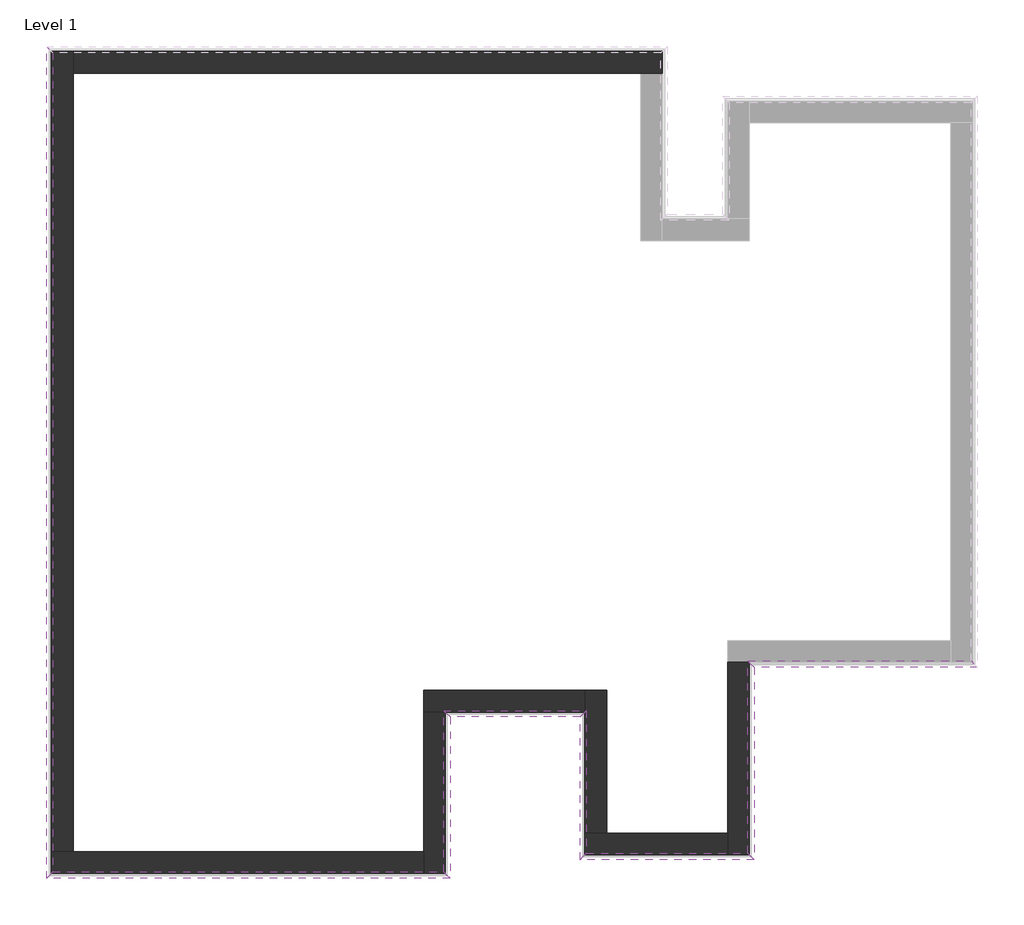
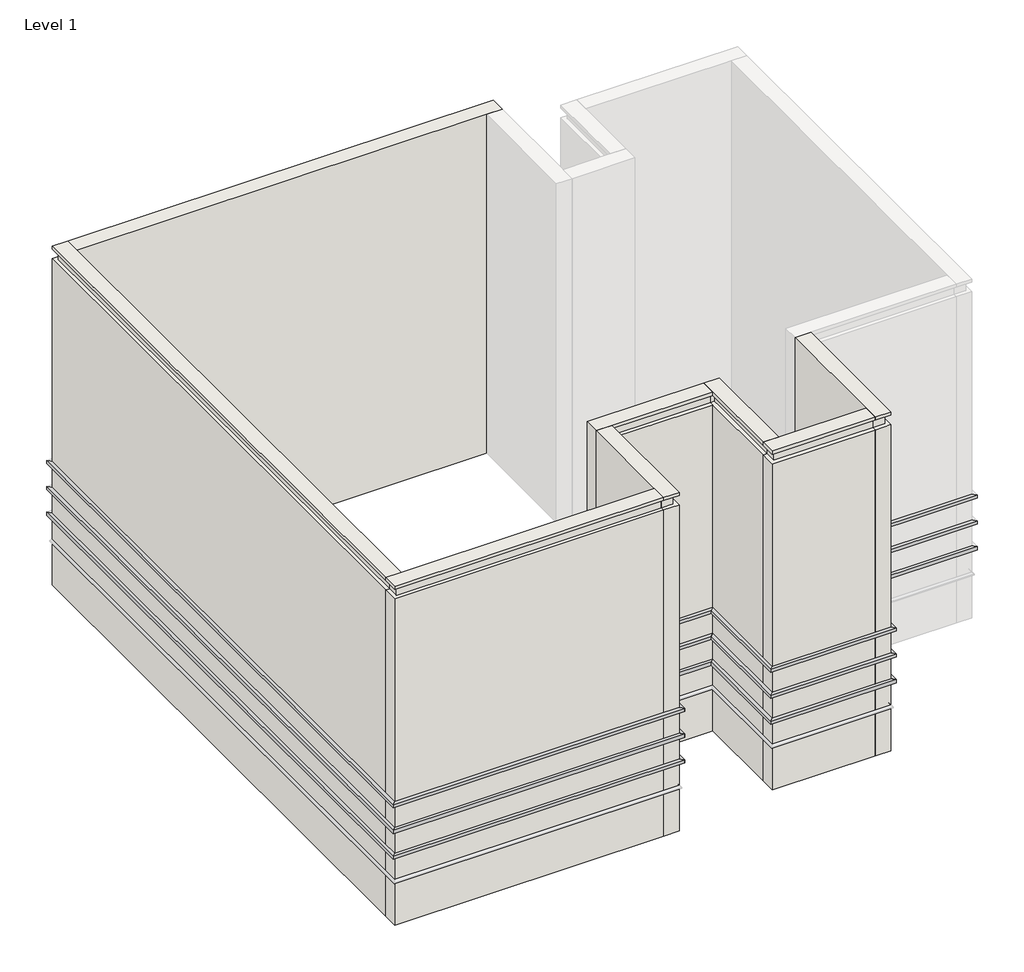
# One storey, part 1 of 2: 24 proxies, 8 walls.
"""IFC4 building model written with IfcOpenShell, lengths in millimetres."""

from ifc_helpers import new_model, si_unit, frame, origin, place, context, project, spatial, polyline, outline, extrude, faceted_brep, element, save

model = new_model("IFC4")

# Units and contexts
model_context = context("Model", 3, world=origin())
ifc_project = project(units=[si_unit("LENGTHUNIT", "METRE", prefix="MILLI")], contexts=[model_context])

# Site, building, storey
site = spatial("IfcSite", under=ifc_project)
building = spatial("IfcBuilding", under=site)
storey = spatial("IfcBuildingStorey", under=building, Name="Level 1", Elevation=0.0)

# Proxies
placement = place(None, origin())
element("IfcBuildingElementProxy", 1, Name="Reveals", at=placement, inside=storey, context=model_context, shape_type="SweptSolid", body=[
    extrude(outline(polyline([(6759.4354635, -122.5225491), (6861.9354635, -225.0225491), (3261.9354635, -225.0225491), (3159.4354635, -122.5225491), (6759.4354635, -122.5225491)])), frame((0.0, 0.0, 1625.0), z_axis=(0.0, 0.0, 1.0), x_axis=(1.0, 0.0, 0.0)), (0.0, 0.0, 1.0), 75.0),
])
element("IfcBuildingElementProxy", 2, Name="Reveals", at=placement, inside=storey, context=model_context, shape_type="SweptSolid", body=[
    extrude(outline(polyline([(6759.4354635, -122.5225491), (6861.9354635, -225.0225491), (3261.9354635, -225.0225491), (3159.4354635, -122.5225491), (6759.4354635, -122.5225491)])), frame((0.0, 0.0, 2235.0), z_axis=(0.0, 0.0, 1.0), x_axis=(1.0, 0.0, 0.0)), (0.0, 0.0, 1.0), 75.0),
])
element("IfcBuildingElementProxy", 3, Name="Reveals", at=placement, inside=storey, context=model_context, shape_type="SweptSolid", body=[
    extrude(outline(polyline([(6759.4354635, -122.5225491), (6861.9354635, -225.0225491), (3261.9354635, -225.0225491), (3159.4354635, -122.5225491), (6759.4354635, -122.5225491)])), frame((0.0, 0.0, 2845.0), z_axis=(0.0, 0.0, 1.0), x_axis=(1.0, 0.0, 0.0)), (0.0, 0.0, 1.0), 75.0),
])
element("IfcBuildingElementProxy", 4, Name="Reveals", at=placement, inside=storey, context=model_context, shape_type="SweptSolid", body=[
    extrude(outline(polyline([(3159.4354635, -122.5225491), (3261.9354635, -225.0225491), (3261.9354635, -3325.0225491), (3159.4354635, -3222.5225491), (3159.4354635, -122.5225491)])), frame((0.0, 0.0, 1625.0), z_axis=(0.0, 0.0, 1.0), x_axis=(1.0, 0.0, 0.0)), (0.0, 0.0, 1.0), 75.0),
])
element("IfcBuildingElementProxy", 5, Name="Reveals", at=placement, inside=storey, context=model_context, shape_type="SweptSolid", body=[
    extrude(outline(polyline([(3159.4354635, -122.5225491), (3261.9354635, -225.0225491), (3261.9354635, -3325.0225491), (3159.4354635, -3222.5225491), (3159.4354635, -122.5225491)])), frame((0.0, 0.0, 2235.0), z_axis=(0.0, 0.0, 1.0), x_axis=(1.0, 0.0, 0.0)), (0.0, 0.0, 1.0), 75.0),
])
element("IfcBuildingElementProxy", 6, Name="Reveals", at=placement, inside=storey, context=model_context, shape_type="SweptSolid", body=[
    extrude(outline(polyline([(3159.4354635, -122.5225491), (3261.9354635, -225.0225491), (3261.9354635, -3325.0225491), (3159.4354635, -3222.5225491), (3159.4354635, -122.5225491)])), frame((0.0, 0.0, 2845.0), z_axis=(0.0, 0.0, 1.0), x_axis=(1.0, 0.0, 0.0)), (0.0, 0.0, 1.0), 75.0),
])
element("IfcBuildingElementProxy", 7, Name="Reveals", at=placement, inside=storey, context=model_context, shape_type="SweptSolid", body=[
    extrude(outline(polyline([(3159.4354635, -3222.5225491), (3261.9354635, -3325.0225491), (456.9354635, -3325.0225491), (559.4354635, -3222.5225491), (3159.4354635, -3222.5225491)])), frame((0.0, 0.0, 1625.0), z_axis=(0.0, 0.0, 1.0), x_axis=(1.0, 0.0, 0.0)), (0.0, 0.0, 1.0), 75.0),
])
element("IfcBuildingElementProxy", 8, Name="Reveals", at=placement, inside=storey, context=model_context, shape_type="SweptSolid", body=[
    extrude(outline(polyline([(3159.4354635, -3222.5225491), (3261.9354635, -3325.0225491), (456.9354635, -3325.0225491), (559.4354635, -3222.5225491), (3159.4354635, -3222.5225491)])), frame((0.0, 0.0, 2235.0), z_axis=(0.0, 0.0, 1.0), x_axis=(1.0, 0.0, 0.0)), (0.0, 0.0, 1.0), 75.0),
])
element("IfcBuildingElementProxy", 9, Name="Reveals", at=placement, inside=storey, context=model_context, shape_type="SweptSolid", body=[
    extrude(outline(polyline([(3159.4354635, -3222.5225491), (3261.9354635, -3325.0225491), (456.9354635, -3325.0225491), (559.4354635, -3222.5225491), (3159.4354635, -3222.5225491)])), frame((0.0, 0.0, 2845.0), z_axis=(0.0, 0.0, 1.0), x_axis=(1.0, 0.0, 0.0)), (0.0, 0.0, 1.0), 75.0),
])
element("IfcBuildingElementProxy", 10, Name="Reveals", at=placement, inside=storey, context=model_context, shape_type="SweptSolid", body=[
    extrude(outline(polyline([(559.4354635, -3222.5225491), (456.9354635, -3325.0225491), (456.9354635, -1025.0225491), (559.4354635, -922.5225491), (559.4354635, -3222.5225491)])), frame((0.0, 0.0, 1625.0), z_axis=(0.0, 0.0, 1.0), x_axis=(1.0, 0.0, 0.0)), (0.0, 0.0, 1.0), 75.0),
])
element("IfcBuildingElementProxy", 11, Name="Reveals", at=placement, inside=storey, context=model_context, shape_type="SweptSolid", body=[
    extrude(outline(polyline([(559.4354635, -3222.5225491), (456.9354635, -3325.0225491), (456.9354635, -1025.0225491), (559.4354635, -922.5225491), (559.4354635, -3222.5225491)])), frame((0.0, 0.0, 2235.0), z_axis=(0.0, 0.0, 1.0), x_axis=(1.0, 0.0, 0.0)), (0.0, 0.0, 1.0), 75.0),
])
element("IfcBuildingElementProxy", 12, Name="Reveals", at=placement, inside=storey, context=model_context, shape_type="SweptSolid", body=[
    extrude(outline(polyline([(559.4354635, -3222.5225491), (456.9354635, -3325.0225491), (456.9354635, -1025.0225491), (559.4354635, -922.5225491), (559.4354635, -3222.5225491)])), frame((0.0, 0.0, 2845.0), z_axis=(0.0, 0.0, 1.0), x_axis=(1.0, 0.0, 0.0)), (0.0, 0.0, 1.0), 75.0),
])
element("IfcBuildingElementProxy", 13, Name="Reveals", at=placement, inside=storey, context=model_context, shape_type="SweptSolid", body=[
    extrude(outline(polyline([(559.4354635, -922.5225491), (456.9354635, -1025.0225491), (-1638.0645365, -1025.0225491), (-1740.5645365, -922.5225491), (559.4354635, -922.5225491)])), frame((0.0, 0.0, 1625.0), z_axis=(0.0, 0.0, 1.0), x_axis=(1.0, 0.0, 0.0)), (0.0, 0.0, 1.0), 75.0),
])
element("IfcBuildingElementProxy", 14, Name="Reveals", at=placement, inside=storey, context=model_context, shape_type="SweptSolid", body=[
    extrude(outline(polyline([(559.4354635, -922.5225491), (456.9354635, -1025.0225491), (-1638.0645365, -1025.0225491), (-1740.5645365, -922.5225491), (559.4354635, -922.5225491)])), frame((0.0, 0.0, 2235.0), z_axis=(0.0, 0.0, 1.0), x_axis=(1.0, 0.0, 0.0)), (0.0, 0.0, 1.0), 75.0),
])
element("IfcBuildingElementProxy", 15, Name="Reveals", at=placement, inside=storey, context=model_context, shape_type="SweptSolid", body=[
    extrude(outline(polyline([(559.4354635, -922.5225491), (456.9354635, -1025.0225491), (-1638.0645365, -1025.0225491), (-1740.5645365, -922.5225491), (559.4354635, -922.5225491)])), frame((0.0, 0.0, 2845.0), z_axis=(0.0, 0.0, 1.0), x_axis=(1.0, 0.0, 0.0)), (0.0, 0.0, 1.0), 75.0),
])
element("IfcBuildingElementProxy", 16, Name="Reveals", at=placement, inside=storey, context=model_context, shape_type="SweptSolid", body=[
    extrude(outline(polyline([(-1740.5645365, -922.5225491), (-1638.0645365, -1025.0225491), (-1638.0645365, -3625.0225491), (-1740.5645365, -3522.5225491), (-1740.5645365, -922.5225491)])), frame((0.0, 0.0, 1625.0), z_axis=(0.0, 0.0, 1.0), x_axis=(1.0, 0.0, 0.0)), (0.0, 0.0, 1.0), 75.0),
])
element("IfcBuildingElementProxy", 17, Name="Reveals", at=placement, inside=storey, context=model_context, shape_type="SweptSolid", body=[
    extrude(outline(polyline([(-1740.5645365, -922.5225491), (-1638.0645365, -1025.0225491), (-1638.0645365, -3625.0225491), (-1740.5645365, -3522.5225491), (-1740.5645365, -922.5225491)])), frame((0.0, 0.0, 2235.0), z_axis=(0.0, 0.0, 1.0), x_axis=(1.0, 0.0, 0.0)), (0.0, 0.0, 1.0), 75.0),
])
element("IfcBuildingElementProxy", 18, Name="Reveals", at=placement, inside=storey, context=model_context, shape_type="SweptSolid", body=[
    extrude(outline(polyline([(-1740.5645365, -922.5225491), (-1638.0645365, -1025.0225491), (-1638.0645365, -3625.0225491), (-1740.5645365, -3522.5225491), (-1740.5645365, -922.5225491)])), frame((0.0, 0.0, 2845.0), z_axis=(0.0, 0.0, 1.0), x_axis=(1.0, 0.0, 0.0)), (0.0, 0.0, 1.0), 75.0),
])
element("IfcBuildingElementProxy", 19, Name="Reveals", at=placement, inside=storey, context=model_context, shape_type="SweptSolid", body=[
    extrude(outline(polyline([(-1740.5645365, -3522.5225491), (-1638.0645365, -3625.0225491), (-8143.0645365, -3625.0225491), (-8040.5645365, -3522.5225491), (-1740.5645365, -3522.5225491)])), frame((0.0, 0.0, 1625.0), z_axis=(0.0, 0.0, 1.0), x_axis=(1.0, 0.0, 0.0)), (0.0, 0.0, 1.0), 75.0),
])
element("IfcBuildingElementProxy", 20, Name="Reveals", at=placement, inside=storey, context=model_context, shape_type="SweptSolid", body=[
    extrude(outline(polyline([(-1740.5645365, -3522.5225491), (-1638.0645365, -3625.0225491), (-8143.0645365, -3625.0225491), (-8040.5645365, -3522.5225491), (-1740.5645365, -3522.5225491)])), frame((0.0, 0.0, 2235.0), z_axis=(0.0, 0.0, 1.0), x_axis=(1.0, 0.0, 0.0)), (0.0, 0.0, 1.0), 75.0),
])
element("IfcBuildingElementProxy", 21, Name="Reveals", at=placement, inside=storey, context=model_context, shape_type="SweptSolid", body=[
    extrude(outline(polyline([(-1740.5645365, -3522.5225491), (-1638.0645365, -3625.0225491), (-8143.0645365, -3625.0225491), (-8040.5645365, -3522.5225491), (-1740.5645365, -3522.5225491)])), frame((0.0, 0.0, 2845.0), z_axis=(0.0, 0.0, 1.0), x_axis=(1.0, 0.0, 0.0)), (0.0, 0.0, 1.0), 75.0),
])
element("IfcBuildingElementProxy", 22, Name="Reveals", at=placement, inside=storey, context=model_context, shape_type="SweptSolid", body=[
    extrude(outline(polyline([(-8040.5645365, -3522.5225491), (-8143.0645365, -3625.0225491), (-8143.0645365, 9779.9774509), (-8040.5645365, 9677.4774509), (-8040.5645365, -3522.5225491)])), frame((0.0, 0.0, 1625.0), z_axis=(0.0, 0.0, 1.0), x_axis=(1.0, 0.0, 0.0)), (0.0, 0.0, 1.0), 75.0),
])
element("IfcBuildingElementProxy", 23, Name="Reveals", at=placement, inside=storey, context=model_context, shape_type="SweptSolid", body=[
    extrude(outline(polyline([(-8040.5645365, -3522.5225491), (-8143.0645365, -3625.0225491), (-8143.0645365, 9779.9774509), (-8040.5645365, 9677.4774509), (-8040.5645365, -3522.5225491)])), frame((0.0, 0.0, 2235.0), z_axis=(0.0, 0.0, 1.0), x_axis=(1.0, 0.0, 0.0)), (0.0, 0.0, 1.0), 75.0),
])
element("IfcBuildingElementProxy", 24, Name="Reveals", at=placement, inside=storey, context=model_context, shape_type="SweptSolid", body=[
    extrude(outline(polyline([(-8040.5645365, -3522.5225491), (-8143.0645365, -3625.0225491), (-8143.0645365, 9779.9774509), (-8040.5645365, 9677.4774509), (-8040.5645365, -3522.5225491)])), frame((0.0, 0.0, 2845.0), z_axis=(0.0, 0.0, 1.0), x_axis=(1.0, 0.0, 0.0)), (0.0, 0.0, 1.0), 75.0),
])

# Walls
element("IfcWall", 25, ObjectType="Exterior - Brick and Block on Mtl. Stud", at=placement, inside=storey, context=model_context, shape_type="Brep", body=[
    faceted_brep([(-7715.5645365, 9352.4774509, 0.0), (1434.4354635, 9352.4774509, 0.0), (1784.4354635, 9352.4774509, 0.0), (1784.4354635, 9352.4774509, 1015.0), (1694.4354635, 9352.4774509, 1015.0), (1694.4354635, 9352.4774509, 1085.0), (1784.4354635, 9352.4774509, 1085.0), (1784.4354635, 9352.4774509, 1625.0), (1759.4354635, 9352.4774509, 1625.0), (1759.4354635, 9352.4774509, 1700.0), (1784.4354635, 9352.4774509, 1700.0), (1784.4354635, 9352.4774509, 2235.0), (1759.4354635, 9352.4774509, 2235.0), (1759.4354635, 9352.4774509, 2310.0), (1784.4354635, 9352.4774509, 2310.0), (1784.4354635, 9352.4774509, 2845.0), (1759.4354635, 9352.4774509, 2845.0), (1759.4354635, 9352.4774509, 2920.0), (1784.4354635, 9352.4774509, 2920.0), (1784.4354635, 9352.4774509, 7700.0), (1694.4354635, 9352.4774509, 7700.0), (1694.4354635, 9352.4774509, 7925.0), (1784.4354635, 9352.4774509, 7925.0), (1784.4354635, 9352.4774509, 8000.0), (1434.4354635, 9352.4774509, 8000.0), (-7715.5645365, 9352.4774509, 8000.0), (1784.4354635, 9702.4774509, 0.0), (-7715.5645365, 9702.4774509, 0.0), (-7715.5645365, 9702.4774509, 1015.0), (1784.4354635, 9702.4774509, 1015.0), (-7715.5645365, 9702.4774509, 8000.0), (1784.4354635, 9702.4774509, 8000.0), (1784.4354635, 9702.4774509, 7925.0), (-7715.5645365, 9702.4774509, 7925.0), (1784.4354635, 9702.4774509, 2235.0), (1784.4354635, 9702.4774509, 1700.0), (-7715.5645365, 9702.4774509, 1700.0), (-7715.5645365, 9702.4774509, 2235.0), (1784.4354635, 9702.4774509, 2845.0), (1784.4354635, 9702.4774509, 2310.0), (-7715.5645365, 9702.4774509, 2310.0), (-7715.5645365, 9702.4774509, 2845.0), (1784.4354635, 9702.4774509, 1625.0), (1784.4354635, 9702.4774509, 1085.0), (-7715.5645365, 9702.4774509, 1085.0), (-7715.5645365, 9702.4774509, 1625.0), (1784.4354635, 9702.4774509, 2920.0), (-7715.5645365, 9702.4774509, 2920.0), (-7715.5645365, 9702.4774509, 7700.0), (1784.4354635, 9702.4774509, 7700.0), (1759.4354635, 9677.4774509, 1700.0), (1759.4354635, 9677.4774509, 1625.0), (-7715.5645365, 9677.4774509, 1625.0), (-7715.5645365, 9677.4774509, 1700.0), (1759.4354635, 9677.4774509, 2310.0), (1759.4354635, 9677.4774509, 2235.0), (-7715.5645365, 9677.4774509, 2235.0), (-7715.5645365, 9677.4774509, 2310.0), (1759.4354635, 9677.4774509, 2920.0), (1759.4354635, 9677.4774509, 2845.0), (-7715.5645365, 9677.4774509, 2845.0), (-7715.5645365, 9677.4774509, 2920.0), (1694.4354635, 9612.4774509, 1085.0), (1694.4354635, 9612.4774509, 1015.0), (-7715.5645365, 9612.4774509, 1015.0), (-7715.5645365, 9612.4774509, 1085.0), (1694.4354635, 9612.4774509, 7925.0), (1694.4354635, 9612.4774509, 7700.0), (-7715.5645365, 9612.4774509, 7700.0), (-7715.5645365, 9612.4774509, 7925.0)], [[[0, 1, 2, 3, 4, 5, 6, 7, 8, 9, 10, 11, 12, 13, 14, 15, 16, 17, 18, 19, 20, 21, 22, 23, 24, 25]], [[26, 27, 28, 29]], [[30, 31, 32, 33]], [[34, 35, 36, 37]], [[38, 39, 40, 41]], [[42, 43, 44, 45]], [[46, 47, 48, 49]], [[2, 1, 0, 27, 26]], [[25, 24, 23, 31, 30]], [[50, 51, 52, 53]], [[54, 55, 56, 57]], [[58, 59, 60, 61]], [[62, 63, 64, 65]], [[66, 67, 68, 69]], [[2, 26, 29, 3]], [[31, 23, 22, 32]], [[11, 10, 35, 34]], [[7, 6, 43, 42]], [[15, 14, 39, 38]], [[18, 46, 49, 19]], [[51, 50, 9, 8]], [[55, 54, 13, 12]], [[59, 58, 17, 16]], [[63, 62, 5, 4]], [[67, 66, 21, 20]], [[0, 25, 30, 33, 69, 68, 48, 47, 61, 60, 41, 40, 57, 56, 37, 36, 53, 52, 45, 44, 65, 64, 28, 27]], [[9, 50, 53, 36, 35, 10]], [[51, 8, 7, 42, 45, 52]], [[13, 54, 57, 40, 39, 14]], [[55, 12, 11, 34, 37, 56]], [[17, 58, 61, 47, 46, 18]], [[59, 16, 15, 38, 41, 60]], [[5, 62, 65, 44, 43, 6]], [[63, 4, 3, 29, 28, 64]], [[68, 67, 20, 19, 49, 48]], [[21, 66, 69, 33, 32, 22]]]),
])
element("IfcWall", 26, ObjectType="Exterior - Brick and Block on Mtl. Stud", at=placement, inside=storey, context=model_context, shape_type="Brep", body=[
    faceted_brep([(2834.4354635, -147.5225491, 0.0), (2834.4354635, -2897.5225491, 0.0), (2834.4354635, -3247.5225491, 0.0), (2834.4354635, -3247.5225491, 1015.0), (2834.4354635, -3157.5225491, 1015.0), (2834.4354635, -3157.5225491, 1085.0), (2834.4354635, -3247.5225491, 1085.0), (2834.4354635, -3247.5225491, 1625.0), (2834.4354635, -3222.5225491, 1625.0), (2834.4354635, -3222.5225491, 1700.0), (2834.4354635, -3247.5225491, 1700.0), (2834.4354635, -3247.5225491, 2235.0), (2834.4354635, -3222.5225491, 2235.0), (2834.4354635, -3222.5225491, 2310.0), (2834.4354635, -3247.5225491, 2310.0), (2834.4354635, -3247.5225491, 2845.0), (2834.4354635, -3222.5225491, 2845.0), (2834.4354635, -3222.5225491, 2920.0), (2834.4354635, -3247.5225491, 2920.0), (2834.4354635, -3247.5225491, 7700.0), (2834.4354635, -3157.5225491, 7700.0), (2834.4354635, -3157.5225491, 7925.0), (2834.4354635, -3247.5225491, 7925.0), (2834.4354635, -3247.5225491, 8000.0), (2834.4354635, -2897.5225491, 8000.0), (2834.4354635, -147.5225491, 8000.0), (3184.4354635, -3247.5225491, 0.0), (3184.4354635, -147.5225491, 0.0), (3184.4354635, -147.5225491, 1015.0), (3184.4354635, -3247.5225491, 1015.0), (3184.4354635, -147.5225491, 8000.0), (3184.4354635, -3247.5225491, 8000.0), (3184.4354635, -3247.5225491, 7925.0), (3184.4354635, -147.5225491, 7925.0), (3184.4354635, -3247.5225491, 1700.0), (3184.4354635, -147.5225491, 1700.0), (3184.4354635, -147.5225491, 2235.0), (3184.4354635, -3247.5225491, 2235.0), (3184.4354635, -147.5225491, 1625.0), (3184.4354635, -3247.5225491, 1625.0), (3184.4354635, -3247.5225491, 1085.0), (3184.4354635, -147.5225491, 1085.0), (3184.4354635, -3247.5225491, 2310.0), (3184.4354635, -147.5225491, 2310.0), (3184.4354635, -147.5225491, 2845.0), (3184.4354635, -3247.5225491, 2845.0), (3184.4354635, -3247.5225491, 2920.0), (3184.4354635, -147.5225491, 2920.0), (3184.4354635, -147.5225491, 7700.0), (3184.4354635, -3247.5225491, 7700.0), (3159.4354635, -3222.5225491, 1625.0), (3159.4354635, -147.5225491, 1625.0), (3159.4354635, -147.5225491, 1700.0), (3159.4354635, -3222.5225491, 1700.0), (3159.4354635, -3222.5225491, 2235.0), (3159.4354635, -147.5225491, 2235.0), (3159.4354635, -147.5225491, 2310.0), (3159.4354635, -3222.5225491, 2310.0), (3159.4354635, -3222.5225491, 2845.0), (3159.4354635, -147.5225491, 2845.0), (3159.4354635, -147.5225491, 2920.0), (3159.4354635, -3222.5225491, 2920.0), (3094.4354635, -3157.5225491, 1015.0), (3094.4354635, -147.5225491, 1015.0), (3094.4354635, -147.5225491, 1085.0), (3094.4354635, -3157.5225491, 1085.0), (3094.4354635, -3157.5225491, 7925.0), (3094.4354635, -3157.5225491, 7700.0), (3094.4354635, -147.5225491, 7700.0), (3094.4354635, -147.5225491, 7925.0)], [[[0, 1, 2, 3, 4, 5, 6, 7, 8, 9, 10, 11, 12, 13, 14, 15, 16, 17, 18, 19, 20, 21, 22, 23, 24, 25]], [[26, 27, 28, 29]], [[30, 31, 32, 33]], [[34, 35, 36, 37]], [[38, 39, 40, 41]], [[42, 43, 44, 45]], [[46, 47, 48, 49]], [[2, 1, 0, 27, 26]], [[25, 24, 23, 31, 30]], [[50, 51, 52, 53]], [[54, 55, 56, 57]], [[58, 59, 60, 61]], [[62, 63, 64, 65]], [[66, 67, 68, 69]], [[0, 25, 30, 33, 69, 68, 48, 47, 60, 59, 44, 43, 56, 55, 36, 35, 52, 51, 38, 41, 64, 63, 28, 27]], [[53, 52, 35, 34, 10, 9]], [[51, 50, 8, 7, 39, 38]], [[57, 56, 43, 42, 14, 13]], [[55, 54, 12, 11, 37, 36]], [[61, 60, 47, 46, 18, 17]], [[59, 58, 16, 15, 45, 44]], [[65, 64, 41, 40, 6, 5]], [[63, 62, 4, 3, 29, 28]], [[68, 67, 20, 19, 49, 48]], [[21, 66, 69, 33, 32, 22]], [[2, 26, 29, 3]], [[31, 23, 22, 32]], [[10, 34, 37, 11]], [[39, 7, 6, 40]], [[14, 42, 45, 15]], [[18, 46, 49, 19]], [[50, 53, 9, 8]], [[54, 57, 13, 12]], [[58, 61, 17, 16]], [[62, 65, 5, 4]], [[67, 66, 21, 20]]]),
])
element("IfcWall", 27, ObjectType="Exterior - Brick and Block on Mtl. Stud", at=placement, inside=storey, context=model_context, shape_type="Brep", body=[
    faceted_brep([(2834.4354635, -2897.5225491, 0.0), (884.4354635, -2897.5225491, 0.0), (534.4354635, -2897.5225491, 0.0), (534.4354635, -2897.5225491, 1015.0), (624.4354635, -2897.5225491, 1015.0), (624.4354635, -2897.5225491, 1085.0), (534.4354635, -2897.5225491, 1085.0), (534.4354635, -2897.5225491, 1625.0), (559.4354635, -2897.5225491, 1625.0), (559.4354635, -2897.5225491, 1700.0), (534.4354635, -2897.5225491, 1700.0), (534.4354635, -2897.5225491, 2235.0), (559.4354635, -2897.5225491, 2235.0), (559.4354635, -2897.5225491, 2310.0), (534.4354635, -2897.5225491, 2310.0), (534.4354635, -2897.5225491, 2845.0), (559.4354635, -2897.5225491, 2845.0), (559.4354635, -2897.5225491, 2920.0), (534.4354635, -2897.5225491, 2920.0), (534.4354635, -2897.5225491, 7700.0), (624.4354635, -2897.5225491, 7700.0), (624.4354635, -2897.5225491, 7925.0), (534.4354635, -2897.5225491, 7925.0), (534.4354635, -2897.5225491, 8000.0), (884.4354635, -2897.5225491, 8000.0), (2834.4354635, -2897.5225491, 8000.0), (534.4354635, -3247.5225491, 0.0), (2834.4354635, -3247.5225491, 0.0), (2834.4354635, -3247.5225491, 1015.0), (534.4354635, -3247.5225491, 1015.0), (2834.4354635, -3247.5225491, 8000.0), (534.4354635, -3247.5225491, 8000.0), (534.4354635, -3247.5225491, 7925.0), (2834.4354635, -3247.5225491, 7925.0), (534.4354635, -3247.5225491, 1700.0), (2834.4354635, -3247.5225491, 1700.0), (2834.4354635, -3247.5225491, 2235.0), (534.4354635, -3247.5225491, 2235.0), (2834.4354635, -3247.5225491, 1625.0), (534.4354635, -3247.5225491, 1625.0), (534.4354635, -3247.5225491, 1085.0), (2834.4354635, -3247.5225491, 1085.0), (534.4354635, -3247.5225491, 2310.0), (2834.4354635, -3247.5225491, 2310.0), (2834.4354635, -3247.5225491, 2845.0), (534.4354635, -3247.5225491, 2845.0), (534.4354635, -3247.5225491, 2920.0), (2834.4354635, -3247.5225491, 2920.0), (2834.4354635, -3247.5225491, 7700.0), (534.4354635, -3247.5225491, 7700.0), (559.4354635, -3222.5225491, 1625.0), (2834.4354635, -3222.5225491, 1625.0), (2834.4354635, -3222.5225491, 1700.0), (559.4354635, -3222.5225491, 1700.0), (559.4354635, -3222.5225491, 2235.0), (2834.4354635, -3222.5225491, 2235.0), (2834.4354635, -3222.5225491, 2310.0), (559.4354635, -3222.5225491, 2310.0), (559.4354635, -3222.5225491, 2845.0), (2834.4354635, -3222.5225491, 2845.0), (2834.4354635, -3222.5225491, 2920.0), (559.4354635, -3222.5225491, 2920.0), (624.4354635, -3157.5225491, 1015.0), (2834.4354635, -3157.5225491, 1015.0), (2834.4354635, -3157.5225491, 1085.0), (624.4354635, -3157.5225491, 1085.0), (624.4354635, -3157.5225491, 7925.0), (624.4354635, -3157.5225491, 7700.0), (2834.4354635, -3157.5225491, 7700.0), (2834.4354635, -3157.5225491, 7925.0)], [[[0, 1, 2, 3, 4, 5, 6, 7, 8, 9, 10, 11, 12, 13, 14, 15, 16, 17, 18, 19, 20, 21, 22, 23, 24, 25]], [[26, 27, 28, 29]], [[30, 31, 32, 33]], [[34, 35, 36, 37]], [[38, 39, 40, 41]], [[42, 43, 44, 45]], [[46, 47, 48, 49]], [[2, 1, 0, 27, 26]], [[25, 24, 23, 31, 30]], [[50, 51, 52, 53]], [[54, 55, 56, 57]], [[58, 59, 60, 61]], [[62, 63, 64, 65]], [[66, 67, 68, 69]], [[0, 25, 30, 33, 69, 68, 48, 47, 60, 59, 44, 43, 56, 55, 36, 35, 52, 51, 38, 41, 64, 63, 28, 27]], [[53, 52, 35, 34, 10, 9]], [[51, 50, 8, 7, 39, 38]], [[57, 56, 43, 42, 14, 13]], [[55, 54, 12, 11, 37, 36]], [[61, 60, 47, 46, 18, 17]], [[59, 58, 16, 15, 45, 44]], [[65, 64, 41, 40, 6, 5]], [[63, 62, 4, 3, 29, 28]], [[68, 67, 20, 19, 49, 48]], [[21, 66, 69, 33, 32, 22]], [[2, 26, 29, 3]], [[31, 23, 22, 32]], [[10, 34, 37, 11]], [[39, 7, 6, 40]], [[14, 42, 45, 15]], [[18, 46, 49, 19]], [[50, 53, 9, 8]], [[54, 57, 13, 12]], [[58, 61, 17, 16]], [[62, 65, 5, 4]], [[67, 66, 21, 20]]]),
])
element("IfcWall", 28, ObjectType="Exterior - Brick and Block on Mtl. Stud", at=placement, inside=storey, context=model_context, shape_type="Brep", body=[
    faceted_brep([(884.4354635, -2897.5225491, 0.0), (884.4354635, -597.5225491, 0.0), (884.4354635, -597.5225491, 8000.0), (884.4354635, -2897.5225491, 8000.0), (534.4354635, -597.5225491, 0.0), (534.4354635, -947.5225491, 0.0), (534.4354635, -2897.5225491, 0.0), (534.4354635, -2897.5225491, 1015.0), (534.4354635, -947.5225491, 1015.0), (534.4354635, -857.5225491, 1015.0), (534.4354635, -857.5225491, 1085.0), (534.4354635, -947.5225491, 1085.0), (534.4354635, -2897.5225491, 1085.0), (534.4354635, -2897.5225491, 1625.0), (534.4354635, -947.5225491, 1625.0), (534.4354635, -922.5225491, 1625.0), (534.4354635, -922.5225491, 1700.0), (534.4354635, -947.5225491, 1700.0), (534.4354635, -2897.5225491, 1700.0), (534.4354635, -2897.5225491, 2235.0), (534.4354635, -947.5225491, 2235.0), (534.4354635, -922.5225491, 2235.0), (534.4354635, -922.5225491, 2310.0), (534.4354635, -947.5225491, 2310.0), (534.4354635, -2897.5225491, 2310.0), (534.4354635, -2897.5225491, 2845.0), (534.4354635, -947.5225491, 2845.0), (534.4354635, -922.5225491, 2845.0), (534.4354635, -922.5225491, 2920.0), (534.4354635, -947.5225491, 2920.0), (534.4354635, -2897.5225491, 2920.0), (534.4354635, -2897.5225491, 7700.0), (534.4354635, -947.5225491, 7700.0), (534.4354635, -857.5225491, 7700.0), (534.4354635, -857.5225491, 7925.0), (534.4354635, -947.5225491, 7925.0), (534.4354635, -2897.5225491, 7925.0), (534.4354635, -2897.5225491, 8000.0), (534.4354635, -947.5225491, 8000.0), (534.4354635, -597.5225491, 8000.0), (559.4354635, -922.5225491, 1625.0), (559.4354635, -2897.5225491, 1625.0), (559.4354635, -2897.5225491, 1700.0), (559.4354635, -922.5225491, 1700.0), (559.4354635, -922.5225491, 2235.0), (559.4354635, -2897.5225491, 2235.0), (559.4354635, -2897.5225491, 2310.0), (559.4354635, -922.5225491, 2310.0), (559.4354635, -922.5225491, 2845.0), (559.4354635, -2897.5225491, 2845.0), (559.4354635, -2897.5225491, 2920.0), (559.4354635, -922.5225491, 2920.0), (624.4354635, -857.5225491, 1015.0), (624.4354635, -2897.5225491, 1015.0), (624.4354635, -2897.5225491, 1085.0), (624.4354635, -857.5225491, 1085.0), (624.4354635, -857.5225491, 7925.0), (624.4354635, -857.5225491, 7700.0), (624.4354635, -2897.5225491, 7700.0), (624.4354635, -2897.5225491, 7925.0)], [[[0, 1, 2, 3]], [[4, 5, 6, 7, 8, 9, 10, 11, 12, 13, 14, 15, 16, 17, 18, 19, 20, 21, 22, 23, 24, 25, 26, 27, 28, 29, 30, 31, 32, 33, 34, 35, 36, 37, 38, 39]], [[1, 0, 6, 5, 4]], [[3, 2, 39, 38, 37]], [[40, 41, 42, 43]], [[44, 45, 46, 47]], [[48, 49, 50, 51]], [[52, 53, 54, 55]], [[56, 57, 58, 59]], [[0, 3, 37, 36, 59, 58, 31, 30, 50, 49, 25, 24, 46, 45, 19, 18, 42, 41, 13, 12, 54, 53, 7, 6]], [[43, 42, 18, 17, 16]], [[41, 40, 15, 14, 13]], [[47, 46, 24, 23, 22]], [[45, 44, 21, 20, 19]], [[51, 50, 30, 29, 28]], [[49, 48, 27, 26, 25]], [[55, 54, 12, 11, 10]], [[53, 52, 9, 8, 7]], [[58, 57, 33, 32, 31]], [[34, 56, 59, 36, 35]], [[2, 1, 4, 39]], [[40, 43, 16, 15]], [[44, 47, 22, 21]], [[48, 51, 28, 27]], [[52, 55, 10, 9]], [[57, 56, 34, 33]]]),
])
element("IfcWall", 29, ObjectType="Exterior - Brick and Block on Mtl. Stud", at=placement, inside=storey, context=model_context, shape_type="Brep", body=[
    faceted_brep([(534.4354635, -597.5225491, 0.0), (-2065.5645365, -597.5225491, 0.0), (-2065.5645365, -597.5225491, 8000.0), (534.4354635, -597.5225491, 8000.0), (-2065.5645365, -947.5225491, 0.0), (-1715.5645365, -947.5225491, 0.0), (534.4354635, -947.5225491, 0.0), (534.4354635, -947.5225491, 1015.0), (-1715.5645365, -947.5225491, 1015.0), (-1805.5645365, -947.5225491, 1015.0), (-1805.5645365, -947.5225491, 1085.0), (-1715.5645365, -947.5225491, 1085.0), (534.4354635, -947.5225491, 1085.0), (534.4354635, -947.5225491, 1625.0), (-1715.5645365, -947.5225491, 1625.0), (-1740.5645365, -947.5225491, 1625.0), (-1740.5645365, -947.5225491, 1700.0), (-1715.5645365, -947.5225491, 1700.0), (534.4354635, -947.5225491, 1700.0), (534.4354635, -947.5225491, 2235.0), (-1715.5645365, -947.5225491, 2235.0), (-1740.5645365, -947.5225491, 2235.0), (-1740.5645365, -947.5225491, 2310.0), (-1715.5645365, -947.5225491, 2310.0), (534.4354635, -947.5225491, 2310.0), (534.4354635, -947.5225491, 2845.0), (-1715.5645365, -947.5225491, 2845.0), (-1740.5645365, -947.5225491, 2845.0), (-1740.5645365, -947.5225491, 2920.0), (-1715.5645365, -947.5225491, 2920.0), (534.4354635, -947.5225491, 2920.0), (534.4354635, -947.5225491, 7700.0), (-1715.5645365, -947.5225491, 7700.0), (-1805.5645365, -947.5225491, 7700.0), (-1805.5645365, -947.5225491, 7925.0), (-1715.5645365, -947.5225491, 7925.0), (534.4354635, -947.5225491, 7925.0), (534.4354635, -947.5225491, 8000.0), (-1715.5645365, -947.5225491, 8000.0), (-2065.5645365, -947.5225491, 8000.0), (-1740.5645365, -922.5225491, 1625.0), (534.4354635, -922.5225491, 1625.0), (534.4354635, -922.5225491, 1700.0), (-1740.5645365, -922.5225491, 1700.0), (-1740.5645365, -922.5225491, 2235.0), (534.4354635, -922.5225491, 2235.0), (534.4354635, -922.5225491, 2310.0), (-1740.5645365, -922.5225491, 2310.0), (-1740.5645365, -922.5225491, 2845.0), (534.4354635, -922.5225491, 2845.0), (534.4354635, -922.5225491, 2920.0), (-1740.5645365, -922.5225491, 2920.0), (-1805.5645365, -857.5225491, 1015.0), (534.4354635, -857.5225491, 1015.0), (534.4354635, -857.5225491, 1085.0), (-1805.5645365, -857.5225491, 1085.0), (-1805.5645365, -857.5225491, 7925.0), (-1805.5645365, -857.5225491, 7700.0), (534.4354635, -857.5225491, 7700.0), (534.4354635, -857.5225491, 7925.0)], [[[0, 1, 2, 3]], [[4, 5, 6, 7, 8, 9, 10, 11, 12, 13, 14, 15, 16, 17, 18, 19, 20, 21, 22, 23, 24, 25, 26, 27, 28, 29, 30, 31, 32, 33, 34, 35, 36, 37, 38, 39]], [[1, 0, 6, 5, 4]], [[3, 2, 39, 38, 37]], [[40, 41, 42, 43]], [[44, 45, 46, 47]], [[48, 49, 50, 51]], [[52, 53, 54, 55]], [[56, 57, 58, 59]], [[0, 3, 37, 36, 59, 58, 31, 30, 50, 49, 25, 24, 46, 45, 19, 18, 42, 41, 13, 12, 54, 53, 7, 6]], [[43, 42, 18, 17, 16]], [[41, 40, 15, 14, 13]], [[47, 46, 24, 23, 22]], [[45, 44, 21, 20, 19]], [[51, 50, 30, 29, 28]], [[49, 48, 27, 26, 25]], [[55, 54, 12, 11, 10]], [[53, 52, 9, 8, 7]], [[58, 57, 33, 32, 31]], [[34, 56, 59, 36, 35]], [[2, 1, 4, 39]], [[40, 43, 16, 15]], [[44, 47, 22, 21]], [[48, 51, 28, 27]], [[52, 55, 10, 9]], [[57, 56, 34, 33]]]),
])
element("IfcWall", 30, ObjectType="Exterior - Brick and Block on Mtl. Stud", at=placement, inside=storey, context=model_context, shape_type="Brep", body=[
    faceted_brep([(-2065.5645365, -947.5225491, 0.0), (-2065.5645365, -3197.5225491, 0.0), (-2065.5645365, -3547.5225491, 0.0), (-2065.5645365, -3547.5225491, 1015.0), (-2065.5645365, -3457.5225491, 1015.0), (-2065.5645365, -3457.5225491, 1085.0), (-2065.5645365, -3547.5225491, 1085.0), (-2065.5645365, -3547.5225491, 1625.0), (-2065.5645365, -3522.5225491, 1625.0), (-2065.5645365, -3522.5225491, 1700.0), (-2065.5645365, -3547.5225491, 1700.0), (-2065.5645365, -3547.5225491, 2235.0), (-2065.5645365, -3522.5225491, 2235.0), (-2065.5645365, -3522.5225491, 2310.0), (-2065.5645365, -3547.5225491, 2310.0), (-2065.5645365, -3547.5225491, 2845.0), (-2065.5645365, -3522.5225491, 2845.0), (-2065.5645365, -3522.5225491, 2920.0), (-2065.5645365, -3547.5225491, 2920.0), (-2065.5645365, -3547.5225491, 7700.0), (-2065.5645365, -3457.5225491, 7700.0), (-2065.5645365, -3457.5225491, 7925.0), (-2065.5645365, -3547.5225491, 7925.0), (-2065.5645365, -3547.5225491, 8000.0), (-2065.5645365, -3197.5225491, 8000.0), (-2065.5645365, -947.5225491, 8000.0), (-1715.5645365, -3547.5225491, 0.0), (-1715.5645365, -947.5225491, 0.0), (-1715.5645365, -947.5225491, 1015.0), (-1715.5645365, -3547.5225491, 1015.0), (-1715.5645365, -947.5225491, 8000.0), (-1715.5645365, -3547.5225491, 8000.0), (-1715.5645365, -3547.5225491, 7925.0), (-1715.5645365, -947.5225491, 7925.0), (-1715.5645365, -3547.5225491, 1700.0), (-1715.5645365, -947.5225491, 1700.0), (-1715.5645365, -947.5225491, 2235.0), (-1715.5645365, -3547.5225491, 2235.0), (-1715.5645365, -947.5225491, 1625.0), (-1715.5645365, -3547.5225491, 1625.0), (-1715.5645365, -3547.5225491, 1085.0), (-1715.5645365, -947.5225491, 1085.0), (-1715.5645365, -3547.5225491, 2310.0), (-1715.5645365, -947.5225491, 2310.0), (-1715.5645365, -947.5225491, 2845.0), (-1715.5645365, -3547.5225491, 2845.0), (-1715.5645365, -3547.5225491, 2920.0), (-1715.5645365, -947.5225491, 2920.0), (-1715.5645365, -947.5225491, 7700.0), (-1715.5645365, -3547.5225491, 7700.0), (-1740.5645365, -3522.5225491, 1625.0), (-1740.5645365, -947.5225491, 1625.0), (-1740.5645365, -947.5225491, 1700.0), (-1740.5645365, -3522.5225491, 1700.0), (-1740.5645365, -3522.5225491, 2235.0), (-1740.5645365, -947.5225491, 2235.0), (-1740.5645365, -947.5225491, 2310.0), (-1740.5645365, -3522.5225491, 2310.0), (-1740.5645365, -3522.5225491, 2845.0), (-1740.5645365, -947.5225491, 2845.0), (-1740.5645365, -947.5225491, 2920.0), (-1740.5645365, -3522.5225491, 2920.0), (-1805.5645365, -3457.5225491, 1015.0), (-1805.5645365, -947.5225491, 1015.0), (-1805.5645365, -947.5225491, 1085.0), (-1805.5645365, -3457.5225491, 1085.0), (-1805.5645365, -3457.5225491, 7925.0), (-1805.5645365, -3457.5225491, 7700.0), (-1805.5645365, -947.5225491, 7700.0), (-1805.5645365, -947.5225491, 7925.0)], [[[0, 1, 2, 3, 4, 5, 6, 7, 8, 9, 10, 11, 12, 13, 14, 15, 16, 17, 18, 19, 20, 21, 22, 23, 24, 25]], [[26, 27, 28, 29]], [[30, 31, 32, 33]], [[34, 35, 36, 37]], [[38, 39, 40, 41]], [[42, 43, 44, 45]], [[46, 47, 48, 49]], [[2, 1, 0, 27, 26]], [[25, 24, 23, 31, 30]], [[50, 51, 52, 53]], [[54, 55, 56, 57]], [[58, 59, 60, 61]], [[62, 63, 64, 65]], [[66, 67, 68, 69]], [[0, 25, 30, 33, 69, 68, 48, 47, 60, 59, 44, 43, 56, 55, 36, 35, 52, 51, 38, 41, 64, 63, 28, 27]], [[53, 52, 35, 34, 10, 9]], [[51, 50, 8, 7, 39, 38]], [[57, 56, 43, 42, 14, 13]], [[55, 54, 12, 11, 37, 36]], [[61, 60, 47, 46, 18, 17]], [[59, 58, 16, 15, 45, 44]], [[65, 64, 41, 40, 6, 5]], [[63, 62, 4, 3, 29, 28]], [[68, 67, 20, 19, 49, 48]], [[21, 66, 69, 33, 32, 22]], [[2, 26, 29, 3]], [[31, 23, 22, 32]], [[10, 34, 37, 11]], [[39, 7, 6, 40]], [[14, 42, 45, 15]], [[18, 46, 49, 19]], [[50, 53, 9, 8]], [[54, 57, 13, 12]], [[58, 61, 17, 16]], [[62, 65, 5, 4]], [[67, 66, 21, 20]]]),
])
element("IfcWall", 31, ObjectType="Exterior - Brick and Block on Mtl. Stud", at=placement, inside=storey, context=model_context, shape_type="Brep", body=[
    faceted_brep([(-2065.5645365, -3197.5225491, 0.0), (-7715.5645365, -3197.5225491, 0.0), (-8065.5645365, -3197.5225491, 0.0), (-8065.5645365, -3197.5225491, 1015.0), (-7975.5645365, -3197.5225491, 1015.0), (-7975.5645365, -3197.5225491, 1085.0), (-8065.5645365, -3197.5225491, 1085.0), (-8065.5645365, -3197.5225491, 1625.0), (-8040.5645365, -3197.5225491, 1625.0), (-8040.5645365, -3197.5225491, 1700.0), (-8065.5645365, -3197.5225491, 1700.0), (-8065.5645365, -3197.5225491, 2235.0), (-8040.5645365, -3197.5225491, 2235.0), (-8040.5645365, -3197.5225491, 2310.0), (-8065.5645365, -3197.5225491, 2310.0), (-8065.5645365, -3197.5225491, 2845.0), (-8040.5645365, -3197.5225491, 2845.0), (-8040.5645365, -3197.5225491, 2920.0), (-8065.5645365, -3197.5225491, 2920.0), (-8065.5645365, -3197.5225491, 7700.0), (-7975.5645365, -3197.5225491, 7700.0), (-7975.5645365, -3197.5225491, 7925.0), (-8065.5645365, -3197.5225491, 7925.0), (-8065.5645365, -3197.5225491, 8000.0), (-7715.5645365, -3197.5225491, 8000.0), (-2065.5645365, -3197.5225491, 8000.0), (-8065.5645365, -3547.5225491, 0.0), (-2065.5645365, -3547.5225491, 0.0), (-2065.5645365, -3547.5225491, 1015.0), (-8065.5645365, -3547.5225491, 1015.0), (-2065.5645365, -3547.5225491, 8000.0), (-8065.5645365, -3547.5225491, 8000.0), (-8065.5645365, -3547.5225491, 7925.0), (-2065.5645365, -3547.5225491, 7925.0), (-8065.5645365, -3547.5225491, 1700.0), (-2065.5645365, -3547.5225491, 1700.0), (-2065.5645365, -3547.5225491, 2235.0), (-8065.5645365, -3547.5225491, 2235.0), (-2065.5645365, -3547.5225491, 1625.0), (-8065.5645365, -3547.5225491, 1625.0), (-8065.5645365, -3547.5225491, 1085.0), (-2065.5645365, -3547.5225491, 1085.0), (-8065.5645365, -3547.5225491, 2310.0), (-2065.5645365, -3547.5225491, 2310.0), (-2065.5645365, -3547.5225491, 2845.0), (-8065.5645365, -3547.5225491, 2845.0), (-8065.5645365, -3547.5225491, 2920.0), (-2065.5645365, -3547.5225491, 2920.0), (-2065.5645365, -3547.5225491, 7700.0), (-8065.5645365, -3547.5225491, 7700.0), (-8040.5645365, -3522.5225491, 1625.0), (-2065.5645365, -3522.5225491, 1625.0), (-2065.5645365, -3522.5225491, 1700.0), (-8040.5645365, -3522.5225491, 1700.0), (-8040.5645365, -3522.5225491, 2235.0), (-2065.5645365, -3522.5225491, 2235.0), (-2065.5645365, -3522.5225491, 2310.0), (-8040.5645365, -3522.5225491, 2310.0), (-8040.5645365, -3522.5225491, 2845.0), (-2065.5645365, -3522.5225491, 2845.0), (-2065.5645365, -3522.5225491, 2920.0), (-8040.5645365, -3522.5225491, 2920.0), (-7975.5645365, -3457.5225491, 1015.0), (-2065.5645365, -3457.5225491, 1015.0), (-2065.5645365, -3457.5225491, 1085.0), (-7975.5645365, -3457.5225491, 1085.0), (-7975.5645365, -3457.5225491, 7925.0), (-7975.5645365, -3457.5225491, 7700.0), (-2065.5645365, -3457.5225491, 7700.0), (-2065.5645365, -3457.5225491, 7925.0)], [[[0, 1, 2, 3, 4, 5, 6, 7, 8, 9, 10, 11, 12, 13, 14, 15, 16, 17, 18, 19, 20, 21, 22, 23, 24, 25]], [[26, 27, 28, 29]], [[30, 31, 32, 33]], [[34, 35, 36, 37]], [[38, 39, 40, 41]], [[42, 43, 44, 45]], [[46, 47, 48, 49]], [[2, 1, 0, 27, 26]], [[25, 24, 23, 31, 30]], [[50, 51, 52, 53]], [[54, 55, 56, 57]], [[58, 59, 60, 61]], [[62, 63, 64, 65]], [[66, 67, 68, 69]], [[0, 25, 30, 33, 69, 68, 48, 47, 60, 59, 44, 43, 56, 55, 36, 35, 52, 51, 38, 41, 64, 63, 28, 27]], [[53, 52, 35, 34, 10, 9]], [[51, 50, 8, 7, 39, 38]], [[57, 56, 43, 42, 14, 13]], [[55, 54, 12, 11, 37, 36]], [[61, 60, 47, 46, 18, 17]], [[59, 58, 16, 15, 45, 44]], [[65, 64, 41, 40, 6, 5]], [[63, 62, 4, 3, 29, 28]], [[68, 67, 20, 19, 49, 48]], [[21, 66, 69, 33, 32, 22]], [[2, 26, 29, 3]], [[31, 23, 22, 32]], [[10, 34, 37, 11]], [[39, 7, 6, 40]], [[14, 42, 45, 15]], [[18, 46, 49, 19]], [[50, 53, 9, 8]], [[54, 57, 13, 12]], [[58, 61, 17, 16]], [[62, 65, 5, 4]], [[67, 66, 21, 20]]]),
])
element("IfcWall", 32, ObjectType="Exterior - Brick and Block on Mtl. Stud", at=placement, inside=storey, context=model_context, shape_type="Brep", body=[
    faceted_brep([(-7715.5645365, -3197.5225491, 0.0), (-7715.5645365, 9352.4774509, 0.0), (-7715.5645365, 9702.4774509, 0.0), (-7715.5645365, 9702.4774509, 1015.0), (-7715.5645365, 9612.4774509, 1015.0), (-7715.5645365, 9612.4774509, 1085.0), (-7715.5645365, 9702.4774509, 1085.0), (-7715.5645365, 9702.4774509, 1625.0), (-7715.5645365, 9677.4774509, 1625.0), (-7715.5645365, 9677.4774509, 1700.0), (-7715.5645365, 9702.4774509, 1700.0), (-7715.5645365, 9702.4774509, 2235.0), (-7715.5645365, 9677.4774509, 2235.0), (-7715.5645365, 9677.4774509, 2310.0), (-7715.5645365, 9702.4774509, 2310.0), (-7715.5645365, 9702.4774509, 2845.0), (-7715.5645365, 9677.4774509, 2845.0), (-7715.5645365, 9677.4774509, 2920.0), (-7715.5645365, 9702.4774509, 2920.0), (-7715.5645365, 9702.4774509, 7700.0), (-7715.5645365, 9612.4774509, 7700.0), (-7715.5645365, 9612.4774509, 7925.0), (-7715.5645365, 9702.4774509, 7925.0), (-7715.5645365, 9702.4774509, 8000.0), (-7715.5645365, 9352.4774509, 8000.0), (-7715.5645365, -3197.5225491, 8000.0), (-8065.5645365, 9702.4774509, 0.0), (-8065.5645365, -3197.5225491, 0.0), (-8065.5645365, -3197.5225491, 1015.0), (-8065.5645365, 9702.4774509, 1015.0), (-8065.5645365, -3197.5225491, 8000.0), (-8065.5645365, 9702.4774509, 8000.0), (-8065.5645365, 9702.4774509, 7925.0), (-8065.5645365, -3197.5225491, 7925.0), (-8065.5645365, 9702.4774509, 1700.0), (-8065.5645365, -3197.5225491, 1700.0), (-8065.5645365, -3197.5225491, 2235.0), (-8065.5645365, 9702.4774509, 2235.0), (-8065.5645365, -3197.5225491, 1625.0), (-8065.5645365, 9702.4774509, 1625.0), (-8065.5645365, 9702.4774509, 1085.0), (-8065.5645365, -3197.5225491, 1085.0), (-8065.5645365, 9702.4774509, 2310.0), (-8065.5645365, -3197.5225491, 2310.0), (-8065.5645365, -3197.5225491, 2845.0), (-8065.5645365, 9702.4774509, 2845.0), (-8065.5645365, 9702.4774509, 2920.0), (-8065.5645365, -3197.5225491, 2920.0), (-8065.5645365, -3197.5225491, 7700.0), (-8065.5645365, 9702.4774509, 7700.0), (-8040.5645365, 9677.4774509, 1625.0), (-8040.5645365, -3197.5225491, 1625.0), (-8040.5645365, -3197.5225491, 1700.0), (-8040.5645365, 9677.4774509, 1700.0), (-8040.5645365, 9677.4774509, 2235.0), (-8040.5645365, -3197.5225491, 2235.0), (-8040.5645365, -3197.5225491, 2310.0), (-8040.5645365, 9677.4774509, 2310.0), (-8040.5645365, 9677.4774509, 2845.0), (-8040.5645365, -3197.5225491, 2845.0), (-8040.5645365, -3197.5225491, 2920.0), (-8040.5645365, 9677.4774509, 2920.0), (-7975.5645365, 9612.4774509, 1015.0), (-7975.5645365, -3197.5225491, 1015.0), (-7975.5645365, -3197.5225491, 1085.0), (-7975.5645365, 9612.4774509, 1085.0), (-7975.5645365, 9612.4774509, 7925.0), (-7975.5645365, 9612.4774509, 7700.0), (-7975.5645365, -3197.5225491, 7700.0), (-7975.5645365, -3197.5225491, 7925.0)], [[[0, 1, 2, 3, 4, 5, 6, 7, 8, 9, 10, 11, 12, 13, 14, 15, 16, 17, 18, 19, 20, 21, 22, 23, 24, 25]], [[26, 27, 28, 29]], [[30, 31, 32, 33]], [[34, 35, 36, 37]], [[38, 39, 40, 41]], [[42, 43, 44, 45]], [[46, 47, 48, 49]], [[2, 1, 0, 27, 26]], [[25, 24, 23, 31, 30]], [[50, 51, 52, 53]], [[54, 55, 56, 57]], [[58, 59, 60, 61]], [[62, 63, 64, 65]], [[66, 67, 68, 69]], [[0, 25, 30, 33, 69, 68, 48, 47, 60, 59, 44, 43, 56, 55, 36, 35, 52, 51, 38, 41, 64, 63, 28, 27]], [[53, 52, 35, 34, 10, 9]], [[51, 50, 8, 7, 39, 38]], [[57, 56, 43, 42, 14, 13]], [[55, 54, 12, 11, 37, 36]], [[61, 60, 47, 46, 18, 17]], [[59, 58, 16, 15, 45, 44]], [[65, 64, 41, 40, 6, 5]], [[63, 62, 4, 3, 29, 28]], [[68, 67, 20, 19, 49, 48]], [[21, 66, 69, 33, 32, 22]], [[2, 26, 29, 3]], [[31, 23, 22, 32]], [[10, 34, 37, 11]], [[39, 7, 6, 40]], [[14, 42, 45, 15]], [[18, 46, 49, 19]], [[50, 53, 9, 8]], [[54, 57, 13, 12]], [[58, 61, 17, 16]], [[62, 65, 5, 4]], [[67, 66, 21, 20]]]),
])

save(model, "model.ifc")
